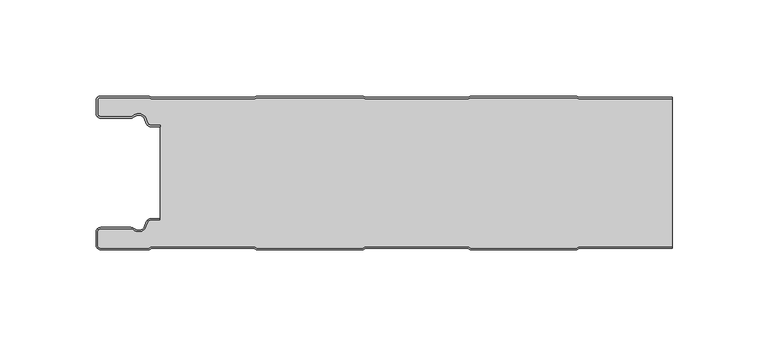
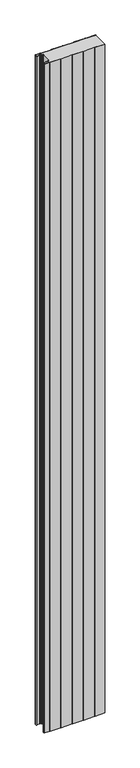
"""IFC4 building model written with IfcOpenShell, lengths in millimetres: plate geometry."""

import ifcopenshell
import ifcopenshell.guid

model = None  # the IFC model being written
_history = None  # IfcOwnerHistory: only IFC2X3 demands one
_inside = {}  # id of a spatial element -> (the spatial element, [elements in it])
_under = {}  # id of a project, library or spatial element -> (it, [spatial elements below it])
_declared = {}  # id of a project -> (the project, [libraries it declares])
_typed = {}  # id of a type object -> (the type object, [elements of that type])
_made_of = {}  # id of a material, layer set ... -> (it, [elements and type objects made of it])


def new_model(schema):
    """Start an empty IFC model of exactly this schema.

    Asked for "IFC4X3", IfcOpenShell would pick the latest addendum, in which some entities
    have other attributes; the version numbers below select the first issue.
    IFC2X3 requires an IfcOwnerHistory on every rooted entity: one is made here for all.
    """
    global model, _history
    if schema == "IFC4X3":
        model = ifcopenshell.file(schema_version=(4, 3, 0, 0))
    else:
        model = ifcopenshell.file(schema=schema)
    _inside.clear()
    _under.clear()
    _declared.clear()
    _typed.clear()
    _made_of.clear()
    _history = None
    if model.schema == "IFC2X3":
        org = make("IfcOrganization", Name="unknown")
        user = make(
            "IfcPersonAndOrganization",
            ThePerson=make("IfcPerson", FamilyName="unknown"),
            TheOrganization=org,
        )
        app = make(
            "IfcApplication",
            ApplicationDeveloper=org,
            Version="unknown",
            ApplicationFullName="unknown",
            ApplicationIdentifier="unknown",
        )
        _history = make(
            "IfcOwnerHistory",
            OwningUser=user,
            OwningApplication=app,
            ChangeAction="ADDED",
            CreationDate=0,
        )
    return model


def make(cls, **values):
    """One entity of the class cls with the attributes given. An attribute that is None is left unset."""
    return model.create_entity(
        cls, **{name: value for name, value in values.items() if value is not None}
    )


def rooted(cls, **values):
    """An entity with a GlobalId (a new one), such as an element, a storey or a relation."""
    return make(cls, GlobalId=ifcopenshell.guid.new(), OwnerHistory=_history, **values)


def si_unit(unit_type, name, prefix=None):
    """IfcSIUnit, for example si_unit("LENGTHUNIT", "METRE", prefix="MILLI")."""
    return make("IfcSIUnit", UnitType=unit_type, Prefix=prefix, Name=name)


def assignment(units):
    """IfcUnitAssignment: the units of a project."""
    return None if units is None else make("IfcUnitAssignment", Units=units)


def point(xyz):
    """IfcCartesianPoint."""
    return None if xyz is None else make("IfcCartesianPoint", Coordinates=xyz)


def direction(xyz):
    """IfcDirection."""
    return None if xyz is None else make("IfcDirection", DirectionRatios=xyz)


def frame(location, z_axis=None, x_axis=None):
    """IfcAxis2Placement3D, a coordinate frame: its origin and axes. An axis left out is left unset."""
    return make(
        "IfcAxis2Placement3D",
        Location=point(location),
        Axis=direction(z_axis),
        RefDirection=direction(x_axis),
    )


def frame_2d(location, x_axis=None):
    """IfcAxis2Placement2D, a coordinate frame in the plane: its origin and x axis."""
    return make(
        "IfcAxis2Placement2D", Location=point(location), RefDirection=direction(x_axis)
    )


def origin():
    """The frame at (0, 0, 0) with its axes left unset."""
    return frame((0.0, 0.0, 0.0))


def origin_with_axes():
    """The frame at (0, 0, 0) with the z axis (0, 0, 1) and the x axis (1, 0, 0) written out."""
    return frame((0.0, 0.0, 0.0), z_axis=(0.0, 0.0, 1.0), x_axis=(1.0, 0.0, 0.0))


def place(relative_to, where):
    """IfcLocalPlacement: puts the frame where relative to a parent placement (None: the world)."""
    return make(
        "IfcLocalPlacement", PlacementRelTo=relative_to, RelativePlacement=where
    )


def context(
    kind, dimensions, precision=None, world=None, true_north=None, identifier=None
):
    """IfcGeometricRepresentationContext, for example the 3D "Model" context."""
    return make(
        "IfcGeometricRepresentationContext",
        ContextIdentifier=identifier,
        ContextType=kind,
        CoordinateSpaceDimension=dimensions,
        Precision=precision,
        WorldCoordinateSystem=world,
        TrueNorth=true_north,
    )


def project(units=None, contexts=None):
    """IfcProject with its units and contexts."""
    return rooted(
        "IfcProject",
        Name="project",
        RepresentationContexts=contexts,
        UnitsInContext=assignment(units),
    )


def spatial(cls, under=None, at=None, **own):
    """A site, building, storey or space (cls), placed at a placement, below another one or the project."""
    s = rooted(cls, ObjectPlacement=at, **own)
    if under is not None:
        _under.setdefault(under.id(), (under, []))[1].append(s)
    return s


def polyline(points):
    """IfcPolyline through the points."""
    return make("IfcPolyline", Points=[point(p) for p in points])


def circle_curve(where, radius):
    """IfcCircle in the frame where."""
    return make("IfcCircle", Position=where, Radius=radius)


def trimmed(basis, trim1, trim2, sense, master):
    """IfcTrimmedCurve: the piece of a basis curve between two trims."""
    return make(
        "IfcTrimmedCurve",
        BasisCurve=basis,
        Trim1=trim1,
        Trim2=trim2,
        SenseAgreement=sense,
        MasterRepresentation=master,
    )


def segment(curve, same_sense, transition):
    """IfcCompositeCurveSegment."""
    return make(
        "IfcCompositeCurveSegment",
        Transition=transition,
        SameSense=same_sense,
        ParentCurve=curve,
    )


def composite_curve(segments, self_intersect=None):
    """IfcCompositeCurve: segments joined end to end."""
    return make("IfcCompositeCurve", Segments=segments, SelfIntersect=self_intersect)


def outline(outer, holes=None, kind="AREA"):
    """IfcArbitraryClosedProfileDef: a profile drawn as a closed curve; with holes, ...WithVoids."""
    if holes is None:
        return make("IfcArbitraryClosedProfileDef", ProfileType=kind, OuterCurve=outer)
    return make(
        "IfcArbitraryProfileDefWithVoids",
        ProfileType=kind,
        OuterCurve=outer,
        InnerCurves=holes,
    )


def extrude(swept, where, along, depth):
    """IfcExtrudedAreaSolid: the profile swept, set in the frame where, extruded along a direction by depth."""
    return make(
        "IfcExtrudedAreaSolid",
        SweptArea=swept,
        Position=where,
        ExtrudedDirection=direction(along),
        Depth=depth,
    )


def shape(context_of_items, identifier, shape_type, items):
    """IfcShapeRepresentation: the items that make up one representation, for example the "Body"."""
    return make(
        "IfcShapeRepresentation",
        ContextOfItems=context_of_items,
        RepresentationIdentifier=identifier,
        RepresentationType=shape_type,
        Items=items,
    )


def source(mapping_origin, context_of_items, identifier, shape_type, items):
    """IfcRepresentationMap: a shape defined once, which mapped items show again and again."""
    return make(
        "IfcRepresentationMap",
        MappingOrigin=mapping_origin,
        MappedRepresentation=shape(context_of_items, identifier, shape_type, items),
    )


def transform(
    local_origin,
    x_axis=None,
    y_axis=None,
    z_axis=None,
    scale=None,
    scale2=None,
    scale3=None,
    uniform=True,
):
    """IfcCartesianTransformationOperator3D, or its non-uniform kind. x_axis, y_axis, z_axis: its Axis1, 2, 3."""
    if uniform:
        return make(
            "IfcCartesianTransformationOperator3D",
            Axis1=direction(x_axis),
            Axis2=direction(y_axis),
            LocalOrigin=point(local_origin),
            Scale=scale,
            Axis3=direction(z_axis),
        )
    return make(
        "IfcCartesianTransformationOperator3DnonUniform",
        Axis1=direction(x_axis),
        Axis2=direction(y_axis),
        LocalOrigin=point(local_origin),
        Scale=scale,
        Axis3=direction(z_axis),
        Scale2=scale2,
        Scale3=scale3,
    )


def mapped(mapping_source, mapping_target):
    """IfcMappedItem: shows the shape of a source again, moved by a transform."""
    return make(
        "IfcMappedItem", MappingSource=mapping_source, MappingTarget=mapping_target
    )


def made_of(thing, what):
    """Note that an element or type object is made of a material, layer set ...; save() writes the relation."""
    if what is not None:
        _made_of.setdefault(what.id(), (what, []))[1].append(thing)
    return thing


def element(
    cls,
    number,
    at=None,
    inside=None,
    cuts=None,
    type_object=None,
    material=None,
    context=None,
    identifier="Body",
    shape_type=None,
    held_by="IfcProductDefinitionShape",
    body=None,
    shapes=None,
    **own,
):
    """One element of the class cls, such as IfcWall. Its Tag is "e" and its number.

    at: its placement. inside: the storey or other place that contains it. cuts: it is an
    opening in that element (IfcRelVoidsElement). A single representation is given by context,
    identifier, shape_type and body (its items); several are given by shapes. held_by: the class
    of the entity that holds the representations. save() writes the other relations.
    """
    e = rooted(cls, Tag="e%d" % number, ObjectPlacement=at, **own)
    if body is not None:
        shapes = [shape(context, identifier, shape_type, body)]
    if shapes is not None:
        e.Representation = make(held_by, Representations=shapes)
    if inside is not None:
        _inside.setdefault(inside.id(), (inside, []))[1].append(e)
    if cuts is not None:
        rooted(
            "IfcRelVoidsElement", RelatingBuildingElement=cuts, RelatedOpeningElement=e
        )
    if type_object is not None:
        _typed.setdefault(type_object.id(), (type_object, []))[1].append(e)
    return made_of(e, material)


def aggregate(whole, parts):
    """IfcRelAggregates: a whole, such as a stair, and the parts it consists of."""
    return rooted("IfcRelAggregates", RelatingObject=whole, RelatedObjects=parts)


def save(model, path):
    """Write the relations noted so far, then the file.

    IfcRelAggregates (storeys below a building ...), IfcRelContainedInSpatialStructure (elements
    in a storey), IfcRelDefinesByType, IfcRelAssociatesMaterial and IfcRelDeclares: one each for
    every whole, place, type object, material and project.
    """
    for whole, parts in _under.values():
        aggregate(whole, parts)
    for where, things in _inside.values():
        rooted(
            "IfcRelContainedInSpatialStructure",
            RelatedElements=things,
            RelatingStructure=where,
        )
    for kind, things in _typed.values():
        rooted("IfcRelDefinesByType", RelatedObjects=things, RelatingType=kind)
    for what, things in _made_of.values():
        rooted("IfcRelAssociatesMaterial", RelatedObjects=things, RelatingMaterial=what)
    for by, libraries in _declared.values():
        rooted("IfcRelDeclares", RelatingContext=by, RelatedDefinitions=libraries)
    model.write(path)


def plate_353f5471(model_context):
    return source(origin(), model_context, "Body", "SweptSolid", [
        extrude(outline(composite_curve([segment(trimmed(circle_curve(frame_2d((-147.49499, -9.0180361)), 2.50501), [point((-147.49499, -11.5230461))], [point((-150.0, -9.0180361))], False, "CARTESIAN"), True, "CONTINUOUS"), segment(polyline([(-150.0, -9.0180361), (-150.0, -2.50501)]), True, "CONTINUOUS"), segment(trimmed(circle_curve(frame_2d((-147.49499, -2.50501)), 2.50501), [point((-150.0, -2.50501))], [point((-147.49499, 0.0))], False, "CARTESIAN"), True, "CONTINUOUS"), segment(polyline([(-147.49499, 0.0), (-122.2103007, 0.0), (-121.028188, -0.6012024), (-67.6391467, -0.6012024), (-66.457034, 0.0), (-10.8776353, 0.0), (-9.6955227, -0.6012024), (43.6935186, -0.6012024), (44.8756313, 0.0), (100.45503, 0.0), (101.6371427, -0.6012024), (150.0, -0.6012024), (150.0, -1.4012024), (101.4453963, -1.4012024), (100.2632836, -0.8), (45.0673777, -0.8), (43.885265, -1.4012024), (-9.887269, -1.4012024), (-11.0693817, -0.8), (-66.2652876, -0.8), (-67.4474003, -1.4012024), (-121.2199344, -1.4012024), (-122.4020471, -0.8), (-147.49499, -0.8)]), True, "CONTINUOUS"), segment(trimmed(circle_curve(frame_2d((-147.49499, -2.50501)), 1.70501), [point((-147.49499, -0.8))], [point((-149.2, -2.50501))], True, "CARTESIAN"), True, "CONTINUOUS"), segment(polyline([(-149.2, -2.50501), (-149.2, -9.0180361)]), True, "CONTINUOUS"), segment(trimmed(circle_curve(frame_2d((-147.49499, -9.0180361)), 1.70501), [point((-149.2, -9.0180361))], [point((-147.49499, -10.7230461))], True, "CARTESIAN"), True, "CONTINUOUS"), segment(polyline([(-147.49499, -10.7230461), (-131.8173283, -10.7230461)]), True, "CONTINUOUS"), segment(trimmed(circle_curve(frame_2d((-131.8173283, -9.0180361)), 1.70501), [point((-131.8173283, -10.7230461))], [point((-130.6895701, -10.2967936))], True, "CARTESIAN"), True, "CONTINUOUS"), segment(trimmed(circle_curve(frame_2d((-127.8407481, -13.5270541)), 4.307014), [point((-130.6895701, -10.2967936))], [point((-123.7934788, -12.0539686))], False, "CARTESIAN"), True, "CONTINUOUS"), segment(polyline([(-123.7934788, -12.0539686), (-123.0450711, -14.1102019)]), True, "CONTINUOUS"), segment(trimmed(circle_curve(frame_2d((-121.4428858, -13.5270541)), 1.70501), [point((-123.0450711, -14.1102019))], [point((-121.4428858, -15.2320641))], True, "CARTESIAN"), True, "CONTINUOUS"), segment(polyline([(-121.4428858, -15.2320641), (-116.4328657, -15.2320641), (-116.4328657, -16.0320641), (-121.4428858, -16.0320641)]), True, "CONTINUOUS"), segment(trimmed(circle_curve(frame_2d((-121.4428858, -13.5270541)), 2.50501), [point((-121.4428858, -16.0320641))], [point((-123.7968252, -14.383818))], False, "CARTESIAN"), True, "CONTINUOUS"), segment(polyline([(-123.7968252, -14.383818), (-124.5452329, -12.3275847)]), True, "CONTINUOUS"), segment(trimmed(circle_curve(frame_2d((-127.8407481, -13.5270541)), 3.507014), [point((-124.5452329, -12.3275847))], [point((-130.1604199, -10.8967936))], True, "CARTESIAN"), True, "CONTINUOUS"), segment(trimmed(circle_curve(frame_2d((-131.8173283, -9.0180361)), 2.50501), [point((-130.1604199, -10.8967936))], [point((-131.8173283, -11.5230461))], False, "CARTESIAN"), True, "CONTINUOUS"), segment(polyline([(-131.8173283, -11.5230461), (-147.49499, -11.5230461)]), True, "CONTINUOUS")], self_intersect=False)), origin_with_axes(), (0.0, 0.0, 1.0), 3500.0),
        extrude(outline(composite_curve([segment(trimmed(circle_curve(frame_2d((-121.4428858, -13.5270541)), 1.70501), [point((-121.4428858, -15.2320641))], [point((-123.0450711, -14.1102019))], False, "CARTESIAN"), True, "CONTINUOUS"), segment(polyline([(-123.0450711, -14.1102019), (-123.7934788, -12.0539686)]), True, "CONTINUOUS"), segment(trimmed(circle_curve(frame_2d((-127.8407481, -13.5270541)), 4.307014), [point((-123.7934788, -12.0539686))], [point((-130.6895701, -10.2967936))], True, "CARTESIAN"), True, "CONTINUOUS"), segment(trimmed(circle_curve(frame_2d((-131.8173283, -9.0180361)), 1.70501), [point((-130.6895701, -10.2967936))], [point((-131.8173283, -10.7230461))], False, "CARTESIAN"), True, "CONTINUOUS"), segment(polyline([(-131.8173283, -10.7230461), (-147.49499, -10.7230461)]), True, "CONTINUOUS"), segment(trimmed(circle_curve(frame_2d((-147.49499, -9.0180361)), 1.70501), [point((-147.49499, -10.7230461))], [point((-149.2, -9.0180361))], False, "CARTESIAN"), True, "CONTINUOUS"), segment(polyline([(-149.2, -9.0180361), (-149.2, -2.50501)]), True, "CONTINUOUS"), segment(trimmed(circle_curve(frame_2d((-147.49499, -2.50501)), 1.70501), [point((-149.2, -2.50501))], [point((-147.49499, -0.8))], False, "CARTESIAN"), True, "CONTINUOUS"), segment(polyline([(-147.49499, -0.8), (-122.4020471, -0.8), (-121.2199344, -1.4012024), (-67.4474003, -1.4012024), (-66.2652876, -0.8), (-11.0693817, -0.8), (-9.887269, -1.4012024), (43.885265, -1.4012024), (45.0673777, -0.8), (100.2632836, -0.8), (101.4453963, -1.4012024), (150.0, -1.4012024), (150.0, -78.5987976), (101.4453963, -78.5987976), (100.2632836, -79.2), (45.0673777, -79.2), (43.885265, -78.5987976), (-9.887269, -78.5987976), (-11.0693817, -79.2), (-66.2652876, -79.2), (-67.4474003, -78.5987976), (-121.2199344, -78.5987976), (-122.4020471, -79.2), (-147.49499, -79.2)]), True, "CONTINUOUS"), segment(trimmed(circle_curve(frame_2d((-147.49499, -77.49499)), 1.70501), [point((-147.49499, -79.2))], [point((-149.2, -77.49499))], False, "CARTESIAN"), True, "CONTINUOUS"), segment(polyline([(-149.2, -77.49499), (-149.2, -70.9819639)]), True, "CONTINUOUS"), segment(trimmed(circle_curve(frame_2d((-147.49499, -70.9819639)), 1.70501), [point((-149.2, -70.9819639))], [point((-147.49499, -69.2769539))], False, "CARTESIAN"), True, "CONTINUOUS"), segment(polyline([(-147.49499, -69.2769539), (-131.8173283, -69.2769539)]), True, "CONTINUOUS"), segment(trimmed(circle_curve(frame_2d((-131.8173283, -70.9819639)), 1.70501), [point((-131.8173283, -69.2769539))], [point((-130.6895701, -69.7032064))], False, "CARTESIAN"), True, "CONTINUOUS"), segment(trimmed(circle_curve(frame_2d((-127.8407481, -66.4729459)), 4.307014), [point((-130.6895701, -69.7032064))], [point((-123.7934788, -67.9460314))], True, "CARTESIAN"), True, "CONTINUOUS"), segment(polyline([(-123.7934788, -67.9460314), (-123.0450711, -65.8897981)]), True, "CONTINUOUS"), segment(trimmed(circle_curve(frame_2d((-121.4428858, -66.4729459)), 1.70501), [point((-123.0450711, -65.8897981))], [point((-121.4428858, -64.7679359))], False, "CARTESIAN"), True, "CONTINUOUS"), segment(polyline([(-121.4428858, -64.7679359), (-116.4328657, -64.7679359), (-116.4328657, -15.2320641), (-121.4428858, -15.2320641)]), True, "CONTINUOUS")], self_intersect=False)), origin_with_axes(), (0.0, 0.0, 1.0), 3500.0),
        extrude(outline(composite_curve([segment(polyline([(-147.49499, -68.4769539), (-131.8173283, -68.4769539)]), True, "CONTINUOUS"), segment(trimmed(circle_curve(frame_2d((-131.8173283, -70.9819639)), 2.50501), [point((-131.8173283, -68.4769539))], [point((-130.1604199, -69.1032064))], False, "CARTESIAN"), True, "CONTINUOUS"), segment(trimmed(circle_curve(frame_2d((-127.8407481, -66.4729459)), 3.507014), [point((-130.1604199, -69.1032064))], [point((-124.5452329, -67.6724153))], True, "CARTESIAN"), True, "CONTINUOUS"), segment(polyline([(-124.5452329, -67.6724153), (-123.7968252, -65.616182)]), True, "CONTINUOUS"), segment(trimmed(circle_curve(frame_2d((-121.4428858, -66.4729459)), 2.50501), [point((-123.7968252, -65.616182))], [point((-121.4428858, -63.9679359))], False, "CARTESIAN"), True, "CONTINUOUS"), segment(polyline([(-121.4428858, -63.9679359), (-116.4328657, -63.9679359), (-116.4328657, -64.7679359), (-121.4428858, -64.7679359)]), True, "CONTINUOUS"), segment(trimmed(circle_curve(frame_2d((-121.4428858, -66.4729459)), 1.70501), [point((-121.4428858, -64.7679359))], [point((-123.0450711, -65.8897981))], True, "CARTESIAN"), True, "CONTINUOUS"), segment(polyline([(-123.0450711, -65.8897981), (-123.7934788, -67.9460314)]), True, "CONTINUOUS"), segment(trimmed(circle_curve(frame_2d((-127.8407481, -66.4729459)), 4.307014), [point((-123.7934788, -67.9460314))], [point((-130.6895701, -69.7032064))], False, "CARTESIAN"), True, "CONTINUOUS"), segment(trimmed(circle_curve(frame_2d((-131.8173283, -70.9819639)), 1.70501), [point((-130.6895701, -69.7032064))], [point((-131.8173283, -69.2769539))], True, "CARTESIAN"), True, "CONTINUOUS"), segment(polyline([(-131.8173283, -69.2769539), (-147.49499, -69.2769539)]), True, "CONTINUOUS"), segment(trimmed(circle_curve(frame_2d((-147.49499, -70.9819639)), 1.70501), [point((-147.49499, -69.2769539))], [point((-149.2, -70.9819639))], True, "CARTESIAN"), True, "CONTINUOUS"), segment(polyline([(-149.2, -70.9819639), (-149.2, -77.49499)]), True, "CONTINUOUS"), segment(trimmed(circle_curve(frame_2d((-147.49499, -77.49499)), 1.70501), [point((-149.2, -77.49499))], [point((-147.49499, -79.2))], True, "CARTESIAN"), True, "CONTINUOUS"), segment(polyline([(-147.49499, -79.2), (-122.4020471, -79.2), (-121.2199344, -78.5987976), (-67.4474003, -78.5987976), (-66.2652876, -79.2), (-11.0693817, -79.2), (-9.887269, -78.5987976), (43.885265, -78.5987976), (45.0673777, -79.2), (100.2632836, -79.2), (101.4453963, -78.5987976), (150.0, -78.5987976), (150.0, -79.3987976), (101.6371427, -79.3987976), (100.45503, -80.0), (44.8756313, -80.0), (43.6935186, -79.3987976), (-9.6955227, -79.3987976), (-10.8776353, -80.0), (-66.457034, -80.0), (-67.6391467, -79.3987976), (-121.028188, -79.3987976), (-122.2103007, -80.0), (-147.49499, -80.0)]), True, "CONTINUOUS"), segment(trimmed(circle_curve(frame_2d((-147.49499, -77.49499)), 2.50501), [point((-147.49499, -80.0))], [point((-150.0, -77.49499))], False, "CARTESIAN"), True, "CONTINUOUS"), segment(polyline([(-150.0, -77.49499), (-150.0, -70.9819639)]), True, "CONTINUOUS"), segment(trimmed(circle_curve(frame_2d((-147.49499, -70.9819639)), 2.50501), [point((-150.0, -70.9819639))], [point((-147.49499, -68.4769539))], False, "CARTESIAN"), True, "CONTINUOUS")], self_intersect=False)), origin_with_axes(), (0.0, 0.0, 1.0), 3500.0),
    ])


if __name__ == "__main__":
    model = new_model("IFC4")
    model_context = context("Model", 3, world=origin())
    ifc_project = project(units=[si_unit("LENGTHUNIT", "METRE", prefix="MILLI")], contexts=[model_context])
    site = spatial("IfcSite", under=ifc_project)
    building = spatial("IfcBuilding", under=site)
    placement = place(None, origin())
    plate_shape = plate_353f5471(model_context)
    element("IfcPlate", 1, at=placement, inside=building, context=model_context, shape_type="MappedRepresentation", body=[
        mapped(plate_shape, transform((0.0, 0.0, 0.0), x_axis=(1.0, 0.0, 0.0), y_axis=(0.0, 1.0, 0.0), z_axis=(0.0, 0.0, 1.0))),
    ])
    save(model, "model.ifc")
